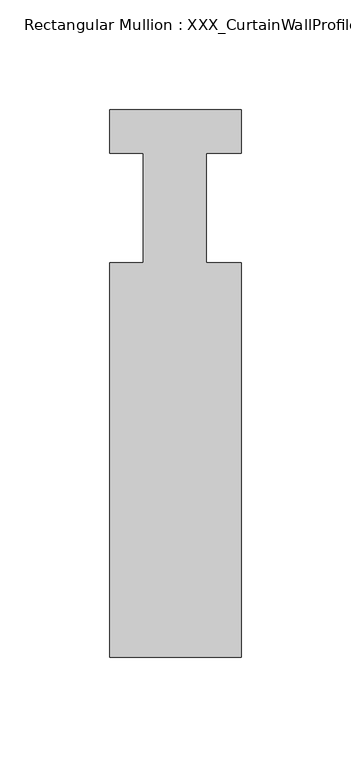
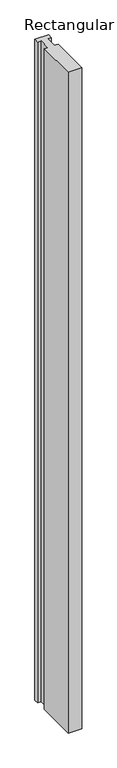
"""IFC4 building model written with IfcOpenShell, lengths in millimetres: member geometry, Rectangular Mullion : XXX_CurtainWallProfile_Ext_VerticalMullion-60x170mm."""

from ifc_helpers import new_model, si_unit, frame, origin, place, context, project, spatial, polyline, outline, extrude, source, transform, mapped, element, save


def rectangular_mullion_xxx_curtainwallprofile_ext_f56c136c(model_context):
    return source(origin(), model_context, "Body", "SweptSolid", [
        extrude(outline(polyline([(0.0, 9.6099719), (0.0, -10.2206981), (-15.8124, -10.2206981), (-15.8124, -60.2206981), (0.0, -60.2206981), (0.0, -240.2206971), (-59.9753368, -240.2206971), (-59.9753368, -60.2206981), (-44.6625735, -60.2206981), (-44.6625735, -10.2206981), (-59.9753368, -10.2206981), (-59.9753368, 9.6099719), (0.0, 9.6099719)])), frame((0.0, 0.0, -3033.3333333), z_axis=(0.0, 0.0, 1.0), x_axis=(1.0, 0.0, 0.0)), (0.0, 0.0, 1.0), 3033.3333333),
    ])


if __name__ == "__main__":
    model = new_model("IFC4")
    model_context = context("Model", 3, world=origin())
    ifc_project = project(units=[si_unit("LENGTHUNIT", "METRE", prefix="MILLI")], contexts=[model_context])
    site = spatial("IfcSite", under=ifc_project)
    building = spatial("IfcBuilding", under=site)
    placement = place(None, origin())
    rectangular_mullion_xxx_curtainwallprofile_ext_shape = rectangular_mullion_xxx_curtainwallprofile_ext_f56c136c(model_context)
    element("IfcMember", 1, ObjectType="Rectangular Mullion : XXX_CurtainWallProfile_Ext_VerticalMullion-60x170mm", at=placement, inside=building, context=model_context, shape_type="MappedRepresentation", body=[
        mapped(rectangular_mullion_xxx_curtainwallprofile_ext_shape, transform((0.0, 0.0, 0.0), x_axis=(1.0, 0.0, 0.0), y_axis=(0.0, 1.0, 0.0), z_axis=(0.0, 0.0, 1.0))),
    ])
    save(model, "model.ifc")
